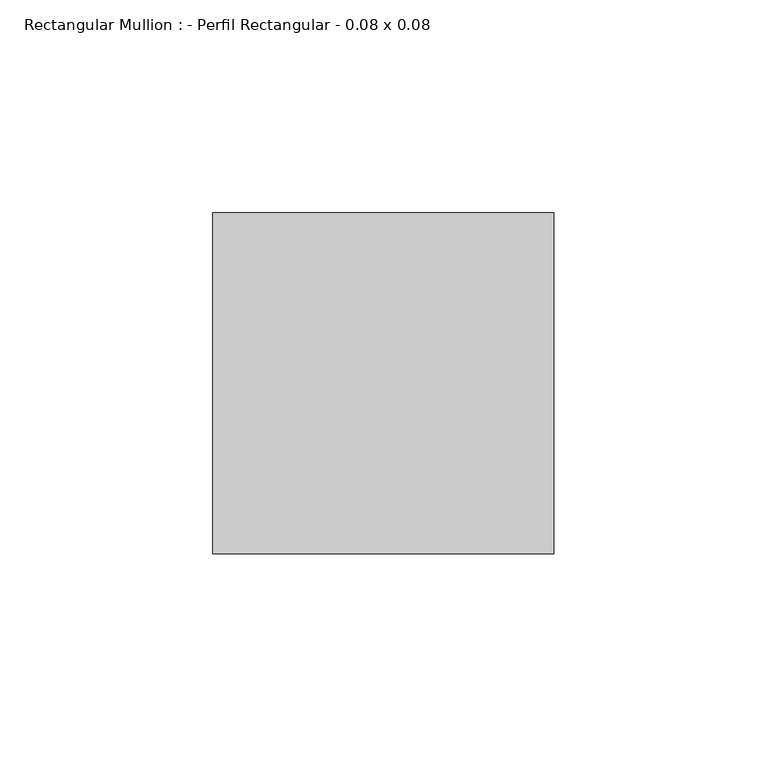
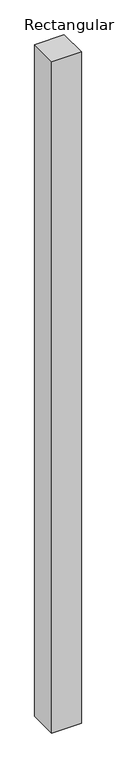
"""IFC4 building model written with IfcOpenShell, lengths in millimetres: member geometry, Rectangular Mullion : - Perfil Rectangular - 0.08 x 0.08."""

from ifc_helpers import new_model, si_unit, frame, origin, place, context, project, spatial, polyline, outline, extrude, source, transform, mapped, element, save


def rectangular_mullion_perfil_rectangular_0_08_x_0_08_cc489b1a(model_context):
    return source(origin(), model_context, "Body", "SweptSolid", [
        extrude(outline(polyline([(-80.0, 80.0), (0.0, 80.0), (0.0, 0.0), (-80.0, 0.0), (-80.0, 80.0)])), frame((0.0, 0.0, -1920.0), z_axis=(0.0, 0.0, 1.0), x_axis=(1.0, 0.0, 0.0)), (0.0, 0.0, 1.0), 1920.0),
    ])


if __name__ == "__main__":
    model = new_model("IFC4")
    model_context = context("Model", 3, world=origin())
    ifc_project = project(units=[si_unit("LENGTHUNIT", "METRE", prefix="MILLI")], contexts=[model_context])
    site = spatial("IfcSite", under=ifc_project)
    building = spatial("IfcBuilding", under=site)
    placement = place(None, origin())
    rectangular_mullion_perfil_rectangular_0_08_x_0_08_shape = rectangular_mullion_perfil_rectangular_0_08_x_0_08_cc489b1a(model_context)
    element("IfcMember", 1, ObjectType="Rectangular Mullion : - Perfil Rectangular - 0.08 x 0.08", at=placement, inside=building, context=model_context, shape_type="MappedRepresentation", body=[
        mapped(rectangular_mullion_perfil_rectangular_0_08_x_0_08_shape, transform((0.0, 0.0, 0.0), x_axis=(1.0, 0.0, 0.0), y_axis=(0.0, 1.0, 0.0), z_axis=(0.0, 0.0, 1.0))),
    ])
    save(model, "model.ifc")
